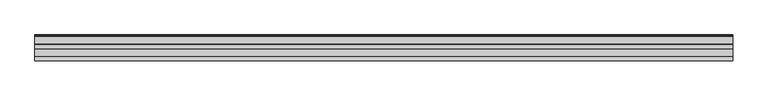
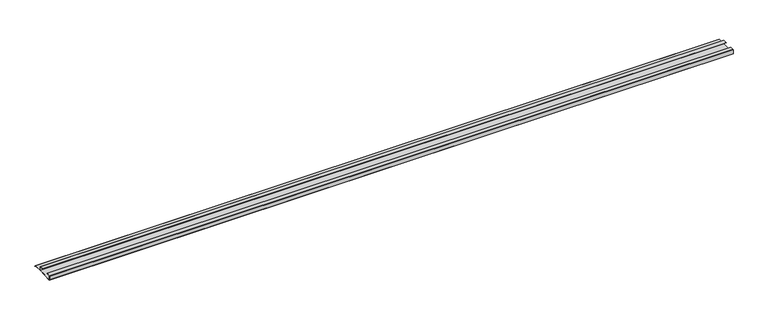
"""IFC4 building model written with IfcOpenShell, lengths in millimetres: furniture geometry."""

from ifc_helpers import new_model, si_unit, frame, origin, place, context, project, spatial, polyline, outline, extrude, source, transform, mapped, element, save


def furniture_91360ee8(model_context):
    return source(origin(), model_context, "Body", "SweptSolid", [
        extrude(outline(polyline([(-16.1532518, 512.3076998), (-16.9376349, 511.8893742), (-18.5259585, 513.5599489), (-20.7474799, 514.175282), (-21.763438, 516.2072074), (-45.0034802, 516.2072074), (-92.6265287, 514.175282), (-93.3884975, 514.9372508), (-93.3884975, 527.3675), (-92.5947475, 528.16125), (-80.6890189, 528.16125), (-80.6890189, 527.3675), (-92.6265287, 527.3675), (-92.6265287, 514.9372631), (-45.0034802, 517.0009574), (-45.0034802, 527.3675), (-56.9409919, 527.3675), (-56.9409919, 528.16125), (-45.0352673, 528.16125), (-44.2415173, 527.3675), (-44.2415173, 517.0009574), (-21.763438, 517.0009574), (-20.7474799, 515.1912447), (-18.0685872, 514.3222207), (-16.1532518, 512.3076998)])), frame((-1019.9345592, 0.0, 0.0), z_axis=(1.0, 0.0, 0.0), x_axis=(0.0, 1.0, 0.0)), (0.0, 0.0, 1.0), 2078.8122),
    ])


if __name__ == "__main__":
    model = new_model("IFC4")
    model_context = context("Model", 3, world=origin())
    ifc_project = project(units=[si_unit("LENGTHUNIT", "METRE", prefix="MILLI")], contexts=[model_context])
    site = spatial("IfcSite", under=ifc_project)
    building = spatial("IfcBuilding", under=site)
    placement = place(None, origin())
    furniture_shape = furniture_91360ee8(model_context)
    element("IfcFurniture", 1, at=placement, inside=building, context=model_context, shape_type="MappedRepresentation", body=[
        mapped(furniture_shape, transform((0.0, 0.0, 0.0), x_axis=(1.0, 0.0, 0.0), y_axis=(0.0, 1.0, 0.0), z_axis=(0.0, 0.0, 1.0))),
    ])
    save(model, "model.ifc")
